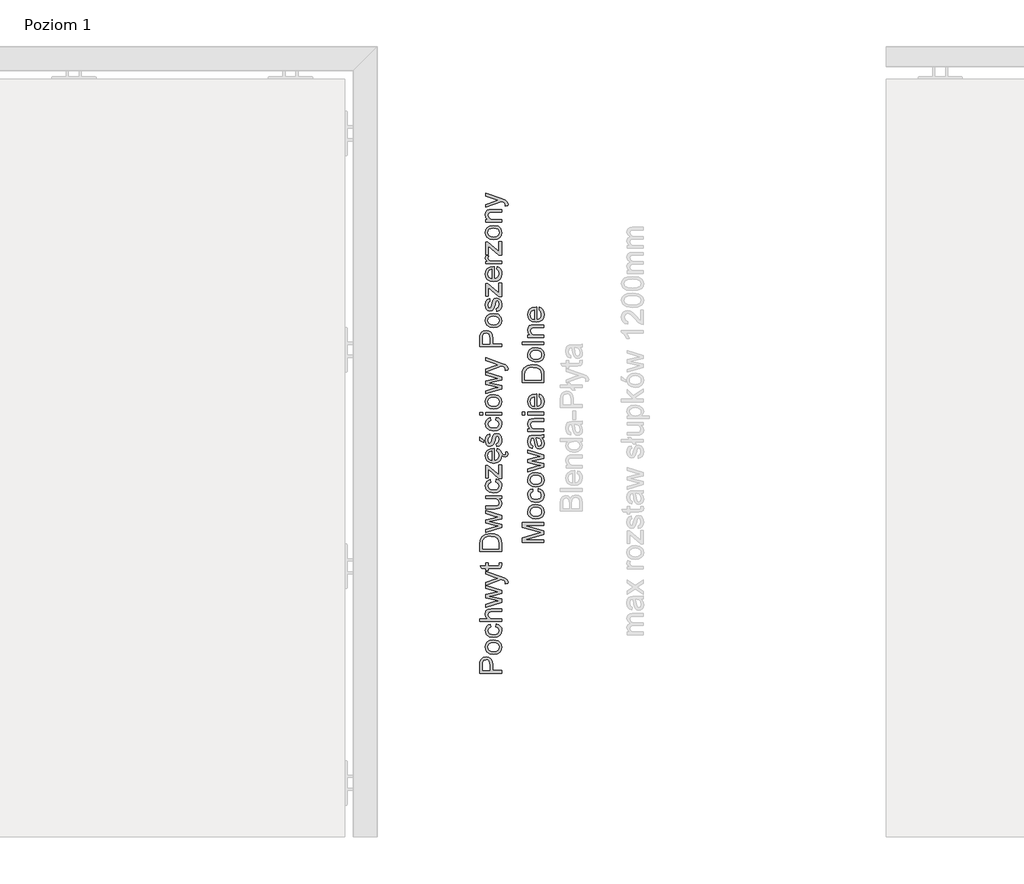
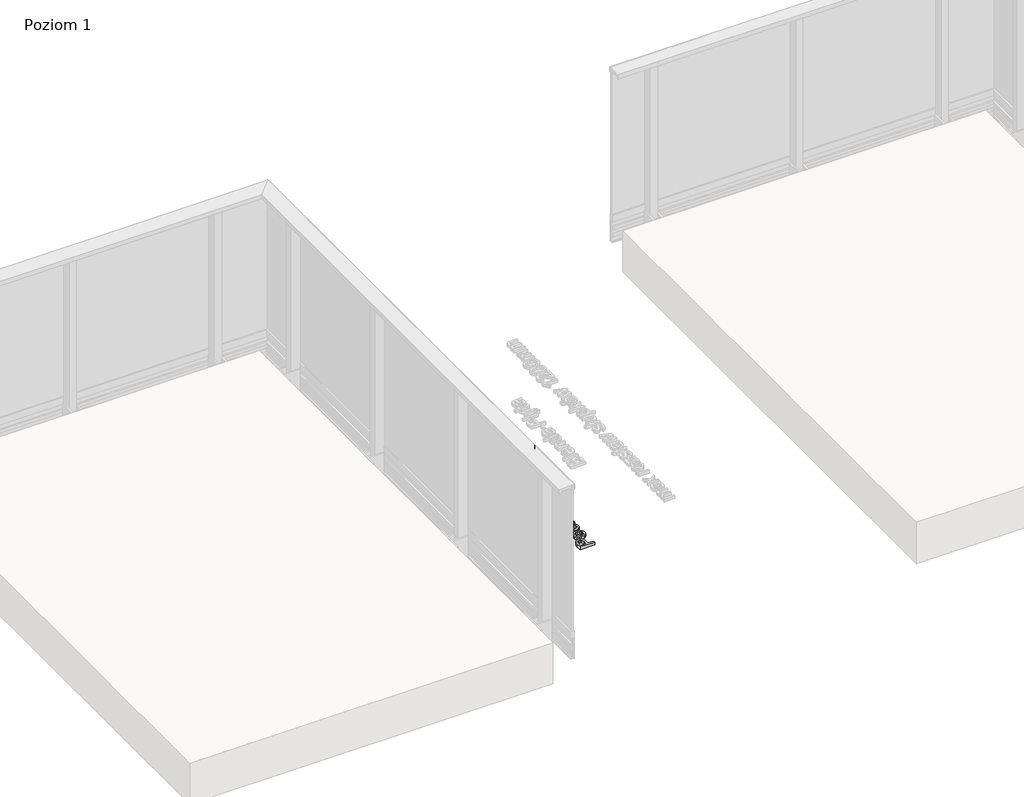
# One storey, part 19 of 35: 2 proxies.
"""IFC4 building model written with IfcOpenShell, lengths in millimetres."""

from ifc_helpers import new_model, si_unit, origin, origin_with_axes, place, context, project, spatial, polyline, outline, extrude, element, save

model = new_model("IFC4")

# Units and contexts
model_context = context("Model", 3, world=origin())
ifc_project = project(units=[si_unit("LENGTHUNIT", "METRE", prefix="MILLI")], contexts=[model_context])

# Site, building, storey
site = spatial("IfcSite", under=ifc_project)
building = spatial("IfcBuilding", under=site)
storey = spatial("IfcBuildingStorey", under=building, Name="Poziom 1", Elevation=0.0)

# Proxies
placement = place(None, origin())
element("IfcBuildingElementProxy", 1, Name="Generic Models", at=placement, inside=storey, context=model_context, shape_type="SweptSolid", body=[
    extrude(outline(polyline([(15115.5993765, -8873.2524168), (15015.1430664, -8873.2524168), (15015.1430664, -8836.0227589), (15016.0995596, -8821.0131735), (15020.7961864, -8808.811754), (15030.508271, -8800.9022911), (15044.205744, -8797.9101842), (15056.0454129, -8799.9304695), (15065.9107817, -8805.9913253), (15072.5694458, -8817.3251565), (15074.7890005, -8835.1643675), (15074.7890005, -8860.695378), (15115.5993765, -8860.695378), (15115.5993765, -8873.2524168)]), holes=[polyline([(15062.2319618, -8860.695378), (15062.2319618, -8834.4286035), (15057.6211741, -8815.9364019), (15052.0722873, -8811.8345177), (15044.6472024, -8810.4672229), (15034.2484047, -8813.6923218), (15028.5584965, -8822.1658704), (15027.7001052, -8834.7229091), (15027.7001052, -8860.695378), (15062.2319618, -8860.695378)])]), origin_with_axes(), (0.0, 0.0, 1.0), 20.0),
    extrude(outline(polyline([(15078.7130752, -8785.3531454), (15060.9259807, -8782.63695), (15048.4241242, -8774.4883638), (15042.298889, -8764.4206599), (15040.2571439, -8752.3663932), (15042.7434131, -8739.1747579), (15050.2022205, -8728.6380045), (15062.0449551, -8721.73102), (15077.6830056, -8719.4286919), (15100.0257054, -8723.4999193), (15112.6685833, -8735.3579822), (15117.1690064, -8752.3663932), (15114.6919343, -8765.7174439), (15107.260718, -8776.2419346), (15095.1696631, -8783.0753427), (15078.7130752, -8785.3531454)]), holes=[polyline([(15078.6885497, -8772.7961066), (15090.0530377, -8771.3429727), (15098.1495072, -8766.9835711), (15102.9963525, -8760.4230089), (15104.6119676, -8752.3663932), (15102.9871555, -8744.3465657), (15098.112719, -8737.7982661), (15089.9089505, -8733.4388645), (15078.2961422, -8731.9857306), (15067.2627481, -8733.4480616), (15059.2766431, -8737.8350543), (15054.4297978, -8744.3925509), (15052.8141827, -8752.3663932), (15054.4236664, -8760.4230089), (15059.2521176, -8766.9835711), (15067.3301931, -8771.3429727), (15078.6885497, -8772.7961066)])]), origin_with_axes(), (0.0, 0.0, 1.0), 20.0),
    extrude(outline(polyline([(15088.9156692, -8658.2131279), (15090.485299, -8645.6560891), (15101.6535832, -8649.1570994), (15110.0934093, -8655.7360558), (15115.4001071, -8664.7736901), (15117.1690064, -8675.6507344), (15114.7011313, -8689.0079165), (15107.2975062, -8699.4526995), (15095.2830934, -8706.1941371), (15078.9828553, -8708.4412829), (15058.1239462, -8704.6030475), (15044.7207788, -8692.9044), (15040.2571439, -8675.8224127), (15041.7899856, -8665.2120828), (15046.3885105, -8656.7293371), (15053.8074641, -8650.6439558), (15063.8015916, -8647.2257189), (15065.3712215, -8659.7827577), (15055.9657051, -8665.607556), (15052.8141827, -8675.7243108), (15054.3654184, -8683.8391745), (15059.0191257, -8690.2801751), (15067.0266904, -8694.4832269), (15078.6394988, -8695.8842442), (15090.4086569, -8694.5138837), (15098.4438128, -8690.4028024), (15103.0699289, -8684.0782978), (15104.6119676, -8676.0676674), (15100.7614694, -8664.2341298), (15088.9156692, -8658.2131279)])), origin_with_axes(), (0.0, 0.0, 1.0), 20.0),
    extrude(outline(polyline([(15115.5993765, -8634.6686802), (15015.1430664, -8634.6686802), (15015.1430664, -8622.1116414), (15052.0784187, -8622.1116414), (15043.2124626, -8612.319849), (15040.2571439, -8600.2594509), (15043.4822427, -8586.1573077), (15052.3972498, -8577.59792), (15068.9028886, -8575.022746), (15115.5993765, -8575.022746), (15115.5993765, -8587.5797848), (15070.2027383, -8587.5797848), (15056.9589865, -8591.5774358), (15052.8141827, -8602.9082013), (15055.6100859, -8613.1966344), (15063.188455, -8620.063765), (15076.4076813, -8622.1116414), (15115.5993765, -8622.1116414), (15115.5993765, -8634.6686802)])), origin_with_axes(), (0.0, 0.0, 1.0), 20.0),
    extrude(outline(polyline([(15115.5993765, -8545.51861), (15041.8267738, -8567.9594117), (15041.8267738, -8554.9118636), (15084.8689672, -8542.1831466), (15100.2464346, -8538.3816993), (15085.4330529, -8535.2669651), (15041.8267738, -8525.1379475), (15041.8267738, -8510.177413), (15085.3104256, -8500.0974463), (15098.7258557, -8497.3260686), (15084.5746616, -8493.3529431), (15041.8267738, -8480.5997006), (15041.8267738, -8467.5031016), (15115.5993765, -8490.1155815), (15115.5993765, -8505.2968452), (15072.3364539, -8514.9353535), (15058.8474474, -8517.7312566), (15115.5993765, -8530.1656681), (15115.5993765, -8545.51861)])), origin_with_axes(), (0.0, 0.0, 1.0), 20.0),
    extrude(outline(polyline([(15143.8527138, -8458.8701374), (15131.7616589, -8460.4397673), (15132.8653048, -8454.063146), (15131.479616, -8448.1034577), (15127.616855, -8444.4491632), (15118.3707542, -8441.0155979), (15115.3295964, -8440.0345793), (15041.8267738, -8466.7182866), (15041.8267738, -8453.4745348), (15082.7843026, -8439.3233407), (15099.1673141, -8434.393722), (15084.6972889, -8429.4641033), (15041.8267738, -8414.9205017), (15041.8267738, -8401.7748518), (15117.3652101, -8427.453015), (15133.7482216, -8434.1239419), (15142.601915, -8441.4080054), (15145.4223436, -8451.1936664), (15143.8527138, -8458.8701374)])), origin_with_axes(), (0.0, 0.0, 1.0), 20.0),
    extrude(outline(polyline([(15105.1270024, -8364.6923466), (15115.9672585, -8363.1227168), (15117.1690064, -8372.5159704), (15115.0843417, -8383.0373955), (15109.6151627, -8388.2858453), (15095.3658668, -8389.8064242), (15054.3838125, -8389.8064242), (15054.3838125, -8399.2242033), (15041.8267738, -8399.2242033), (15041.8267738, -8389.8064242), (15023.8986579, -8389.8064242), (15016.5164925, -8377.2493854), (15041.8267738, -8377.2493854), (15041.8267738, -8364.6923466), (15054.3838125, -8364.6923466), (15054.3838125, -8377.2493854), (15094.9979848, -8377.2493854), (15101.4727079, -8376.5871978), (15103.765839, -8374.4412195), (15104.6119676, -8370.1615256), (15105.1270024, -8364.6923466)])), origin_with_axes(), (0.0, 0.0, 1.0), 20.0),
    extrude(outline(polyline([(15115.5993765, -8311.3249319), (15015.1430664, -8311.3249319), (15015.1430664, -8276.6704479), (15016.5900689, -8258.742332), (15023.7760305, -8243.9780013), (15040.943857, -8232.0831501), (15064.8316612, -8228.13455), (15085.1019591, -8230.8078259), (15099.7313998, -8237.6749564), (15108.8426106, -8246.8474809), (15113.8825939, -8258.8526966), (15115.5993765, -8275.0027162), (15115.5993765, -8311.3249319)]), holes=[polyline([(15103.0423378, -8298.7678931), (15103.0423378, -8276.5478206), (15101.2274533, -8260.3855383), (15096.1016308, -8251.0658611), (15083.6304312, -8243.4261783), (15064.6354575, -8240.6915888), (15050.9502472, -8242.0312924), (15040.8457551, -8246.0504032), (15029.7111934, -8259.0856886), (15027.7001052, -8276.8911771), (15027.7001052, -8298.7678931), (15103.0423378, -8298.7678931)])]), origin_with_axes(), (0.0, 0.0, 1.0), 20.0),
    extrude(outline(polyline([(15115.5993765, -8200.2000439), (15041.8267738, -8222.6408456), (15041.8267738, -8209.5932975), (15084.8689672, -8196.8645804), (15100.2464346, -8193.0631332), (15085.4330529, -8189.9483989), (15041.8267738, -8179.8193813), (15041.8267738, -8164.8588469), (15085.3104256, -8154.7788802), (15098.7258557, -8152.0075025), (15084.5746616, -8148.0343769), (15041.8267738, -8135.2811344), (15041.8267738, -8122.1845354), (15115.5993765, -8144.7970154), (15115.5993765, -8159.9782791), (15072.3364539, -8169.6167873), (15058.8474474, -8172.4126905), (15115.5993765, -8184.8471019), (15115.5993765, -8200.2000439)])), origin_with_axes(), (0.0, 0.0, 1.0), 20.0),
    extrude(outline(polyline([(15115.5993765, -8066.4626759), (15102.9197104, -8066.4626759), (15113.6066824, -8076.2973879), (15117.1690064, -8089.1242068), (15114.6674088, -8100.9332188), (15108.3888894, -8109.0756737), (15099.1427886, -8112.8158073), (15087.4686666, -8113.5515713), (15041.8267738, -8113.5515713), (15041.8267738, -8100.9945325), (15081.5580292, -8100.9945325), (15094.3603227, -8100.234243), (15101.8773781, -8095.2678361), (15104.6119676, -8085.9113707), (15101.8160644, -8075.4267338), (15094.2009071, -8068.4982896), (15080.2091286, -8066.4626759), (15041.8267738, -8066.4626759), (15041.8267738, -8053.9056371), (15115.5993765, -8053.9056371), (15115.5993765, -8066.4626759)])), origin_with_axes(), (0.0, 0.0, 1.0), 20.0),
    extrude(outline(polyline([(15088.9156692, -7989.5508134), (15090.485299, -7976.9937747), (15101.6535832, -7980.494785), (15110.0934093, -7987.0737413), (15115.4001071, -7996.1113757), (15117.1690064, -8006.98842), (15114.7011313, -8020.3456021), (15107.2975062, -8030.7903851), (15095.2830934, -8037.5318226), (15078.9828553, -8039.7789685), (15058.1239462, -8035.940733), (15044.7207788, -8024.2420856), (15040.2571439, -8007.1600983), (15041.7899856, -7996.5497684), (15046.3885105, -7988.0670227), (15053.8074641, -7981.9816414), (15063.8015916, -7978.5634045), (15065.3712215, -7991.1204433), (15055.9657051, -7996.9452415), (15052.8141827, -8007.0619964), (15054.3654184, -8015.1768601), (15059.0191257, -8021.6178607), (15067.0266904, -8025.8209125), (15078.6394988, -8027.2219297), (15090.4086569, -8025.8515693), (15098.4438128, -8021.740488), (15103.0699289, -8015.4159834), (15104.6119676, -8007.4053529), (15100.7614694, -7995.5718154), (15088.9156692, -7989.5508134)])), origin_with_axes(), (0.0, 0.0, 1.0), 20.0),
    extrude(outline(polyline([(15115.5993765, -7973.854515), (15103.7781018, -7973.854515), (15054.3838125, -7930.5180159), (15054.3838125, -7943.3448348), (15054.3838125, -7970.7152553), (15041.8267738, -7970.7152553), (15041.8267738, -7912.638951), (15052.4953516, -7912.638951), (15096.32236, -7951.0703567), (15103.0423378, -7956.9564687), (15103.0423378, -7942.4373926), (15103.0423378, -7911.0693211), (15115.5993765, -7911.0693211), (15115.5993765, -7973.854515)])), origin_with_axes(), (0.0, 0.0, 1.0), 20.0),
    extrude(outline(polyline([(15093.6245587, -7846.8616502), (15095.1941885, -7834.5498661), (15104.4709462, -7838.9859098), (15111.4055218, -7846.0645726), (15115.768218, -7855.9570793), (15121.6694295, -7861.8344474), (15128.9902812, -7863.9804257), (15133.9689508, -7862.4475841), (15136.0045645, -7857.4811772), (15135.5631061, -7854.3419175), (15134.3858838, -7851.423387), (15143.0433734, -7851.423387), (15145.4223436, -7860.2280294), (15144.4167995, -7866.0037767), (15141.6454218, -7870.1240551), (15137.5864571, -7872.5888644), (15132.6691011, -7873.3982048), (15123.7540941, -7870.9456582), (15116.8755159, -7865.091109), (15117.1690064, -7867.5120929), (15114.6827372, -7882.2457668), (15107.2239298, -7893.5826636), (15095.276962, -7900.8115448), (15079.3262118, -7903.2211719), (15062.8389671, -7900.7870194), (15050.5087889, -7893.4845618), (15042.8200552, -7882.3009491), (15040.2571439, -7868.2233314), (15042.8139238, -7854.5841064), (15050.4842634, -7843.6856023), (15062.7899161, -7836.5394946), (15079.2526354, -7834.1574587), (15082.6371498, -7834.2310351), (15082.6371498, -7890.6641331), (15092.0365347, -7888.4905637), (15098.9465849, -7883.4413833), (15103.1956219, -7876.1542541), (15104.6119676, -7867.2668382), (15101.9877427, -7854.9550541), (15093.6245587, -7846.8616502)]), holes=[polyline([(15070.080111, -7890.6641331), (15070.080111, -7846.7144974), (15058.7002946, -7851.742218), (15054.2857107, -7859.0630697), (15052.8141827, -7868.2723823), (15057.5108095, -7883.7356889), (15063.0014483, -7888.6009283), (15070.080111, -7890.6641331)])]), origin_with_axes(), (0.0, 0.0, 1.0), 20.0),
    extrude(outline(polyline([(15093.6245587, -7826.3093094), (15092.0549288, -7813.7522707), (15101.3746061, -7807.9397351), (15104.6119676, -7794.6224069), (15101.6443862, -7781.8201135), (15094.6791537, -7777.6507842), (15089.0382965, -7781.8446389), (15085.4575784, -7794.7695597), (15079.3139491, -7813.6786943), (15072.1402502, -7821.9315137), (15062.0112326, -7824.7396796), (15052.6547672, -7822.4833367), (15045.5055937, -7816.3274446), (15041.7899856, -7808.3444053), (15040.2571439, -7797.5409374), (15042.7219533, -7782.2615719), (15049.3928801, -7772.5494872), (15060.6623319, -7768.2330051), (15062.2319618, -7780.7900439), (15055.3035175, -7785.5111962), (15052.8141827, -7796.5599188), (15055.1931529, -7808.5773973), (15060.7359083, -7812.1826408), (15064.3902028, -7810.6865874), (15067.1615805, -7806.0022233), (15069.8348563, -7795.1864926), (15075.7454937, -7776.7556047), (15082.440946, -7768.1962169), (15093.3547786, -7765.0937454), (15105.3722571, -7768.7357772), (15114.0910604, -7779.2449395), (15117.1690064, -7794.7940852), (15115.6852157, -7807.4553572), (15111.2338435, -7816.6953266), (15103.8639409, -7822.8634814), (15093.6245587, -7826.3093094)])), origin_with_axes(), (0.0, 0.0, 1.0), 20.0),
    extrude(outline(polyline([(15033.9786245, -7807.4737513), (15015.1430664, -7798.0559722), (15015.1430664, -7782.3596737), (15033.9786245, -7798.0559722), (15033.9786245, -7807.4737513)])), origin_with_axes(), (0.0, 0.0, 1.0), 20.0),
    extrude(outline(polyline([(15088.9156692, -7703.8781814), (15090.485299, -7691.3211427), (15101.6535832, -7694.822153), (15110.0934093, -7701.4011093), (15115.4001071, -7710.4387437), (15117.1690064, -7721.315788), (15114.7011313, -7734.6729701), (15107.2975062, -7745.1177531), (15095.2830934, -7751.8591907), (15078.9828553, -7754.1063365), (15058.1239462, -7750.268101), (15044.7207788, -7738.5694536), (15040.2571439, -7721.4874663), (15041.7899856, -7710.8771364), (15046.3885105, -7702.3943907), (15053.8074641, -7696.3090094), (15063.8015916, -7692.8907725), (15065.3712215, -7705.4478113), (15055.9657051, -7711.2726095), (15052.8141827, -7721.3893644), (15054.3654184, -7729.5042281), (15059.0191257, -7735.9452287), (15067.0266904, -7740.1482805), (15078.6394988, -7741.5492977), (15090.4086569, -7740.1789373), (15098.4438128, -7736.067856), (15103.0699289, -7729.7433514), (15104.6119676, -7721.7327209), (15100.7614694, -7709.8991834), (15088.9156692, -7703.8781814)])), origin_with_axes(), (0.0, 0.0, 1.0), 20.0),
    extrude(outline(polyline([(15027.7001052, -7680.3337337), (15015.1430664, -7680.3337337), (15015.1430664, -7667.776695), (15027.7001052, -7667.776695), (15027.7001052, -7680.3337337)])), origin_with_axes(), (0.0, 0.0, 1.0), 20.0),
    extrude(outline(polyline([(15115.5993765, -7680.3337337), (15041.8267738, -7680.3337337), (15041.8267738, -7667.776695), (15115.5993765, -7667.776695), (15115.5993765, -7680.3337337)])), origin_with_axes(), (0.0, 0.0, 1.0), 20.0),
    extrude(outline(polyline([(15078.7130752, -7652.0803965), (15060.9259807, -7649.3642011), (15048.4241242, -7641.2156149), (15042.298889, -7631.147911), (15040.2571439, -7619.0936443), (15042.7434131, -7605.9020091), (15050.2022205, -7595.3652556), (15062.0449551, -7588.4582711), (15077.6830056, -7586.155943), (15100.0257054, -7590.2271704), (15112.6685833, -7602.0852334), (15117.1690064, -7619.0936443), (15114.6919343, -7632.444695), (15107.260718, -7642.9691858), (15095.1696631, -7649.8025938), (15078.7130752, -7652.0803965)]), holes=[polyline([(15078.6885497, -7639.5233577), (15090.0530377, -7638.0702239), (15098.1495072, -7633.7108222), (15102.9963525, -7627.15026), (15104.6119676, -7619.0936443), (15102.9871555, -7611.0738168), (15098.112719, -7604.5255173), (15089.9089505, -7600.1661156), (15078.2961422, -7598.7129817), (15067.2627481, -7600.1753127), (15059.2766431, -7604.5623055), (15054.4297978, -7611.119802), (15052.8141827, -7619.0936443), (15054.4236664, -7627.15026), (15059.2521176, -7633.7108222), (15067.3301931, -7638.0702239), (15078.6885497, -7639.5233577)])]), origin_with_axes(), (0.0, 0.0, 1.0), 20.0),
    extrude(outline(polyline([(15115.5993765, -7559.7910667), (15041.8267738, -7582.2318684), (15041.8267738, -7569.1843203), (15084.8689672, -7556.4556032), (15100.2464346, -7552.654156), (15085.4330529, -7549.5394217), (15041.8267738, -7539.4104041), (15041.8267738, -7524.4498697), (15085.3104256, -7514.369903), (15098.7258557, -7511.5985253), (15084.5746616, -7507.6253997), (15041.8267738, -7494.8721572), (15041.8267738, -7481.7755582), (15115.5993765, -7504.3880382), (15115.5993765, -7519.5693019), (15072.3364539, -7529.2078101), (15058.8474474, -7532.0037133), (15115.5993765, -7544.4381247), (15115.5993765, -7559.7910667)])), origin_with_axes(), (0.0, 0.0, 1.0), 20.0),
    extrude(outline(polyline([(15143.8527138, -7473.1425941), (15131.7616589, -7474.7122239), (15132.8653048, -7468.3356027), (15131.479616, -7462.3759143), (15127.616855, -7458.7216199), (15118.3707542, -7455.2880546), (15115.3295964, -7454.3070359), (15041.8267738, -7480.9907433), (15041.8267738, -7467.7469915), (15082.7843026, -7453.5957974), (15099.1673141, -7448.6661787), (15084.6972889, -7443.7365599), (15041.8267738, -7429.1929584), (15041.8267738, -7416.0473084), (15117.3652101, -7441.7254717), (15133.7482216, -7448.3963985), (15142.601915, -7455.680462), (15145.4223436, -7465.4661231), (15143.8527138, -7473.1425941)])), origin_with_axes(), (0.0, 0.0, 1.0), 20.0),
    extrude(outline(polyline([(15115.5993765, -7364.8381347), (15015.1430664, -7364.8381347), (15015.1430664, -7327.6084768), (15016.0995596, -7312.5988914), (15020.7961864, -7300.3974719), (15030.508271, -7292.488009), (15044.205744, -7289.4959021), (15056.0454129, -7291.5161874), (15065.9107817, -7297.5770432), (15072.5694458, -7308.9108744), (15074.7890005, -7326.7500854), (15074.7890005, -7352.2810959), (15115.5993765, -7352.2810959), (15115.5993765, -7364.8381347)]), holes=[polyline([(15062.2319618, -7352.2810959), (15062.2319618, -7326.0143215), (15057.6211741, -7307.5221198), (15052.0722873, -7303.4202356), (15044.6472024, -7302.0529408), (15034.2484047, -7305.2780397), (15028.5584965, -7313.7515883), (15027.7001052, -7326.3086271), (15027.7001052, -7352.2810959), (15062.2319618, -7352.2810959)])]), origin_with_axes(), (0.0, 0.0, 1.0), 20.0),
    extrude(outline(polyline([(15078.7130752, -7276.9388633), (15060.9259807, -7274.2226679), (15048.4241242, -7266.0740817), (15042.298889, -7256.0063778), (15040.2571439, -7243.9521111), (15042.7434131, -7230.7604759), (15050.2022205, -7220.2237224), (15062.0449551, -7213.3167379), (15077.6830056, -7211.0144098), (15100.0257054, -7215.0856372), (15112.6685833, -7226.9437002), (15117.1690064, -7243.9521111), (15114.6919343, -7257.3031618), (15107.260718, -7267.8276526), (15095.1696631, -7274.6610606), (15078.7130752, -7276.9388633)]), holes=[polyline([(15078.6885497, -7264.3818245), (15090.0530377, -7262.9286907), (15098.1495072, -7258.569289), (15102.9963525, -7252.0087268), (15104.6119676, -7243.9521111), (15102.9871555, -7235.9322836), (15098.112719, -7229.3839841), (15089.9089505, -7225.0245824), (15078.2961422, -7223.5714485), (15067.2627481, -7225.0337795), (15059.2766431, -7229.4207723), (15054.4297978, -7235.9782688), (15052.8141827, -7243.9521111), (15054.4236664, -7252.0087268), (15059.2521176, -7258.569289), (15067.3301931, -7262.9286907), (15078.6885497, -7264.3818245)])]), origin_with_axes(), (0.0, 0.0, 1.0), 20.0),
    extrude(outline(polyline([(15093.6245587, -7201.5966307), (15092.0549288, -7189.0395919), (15101.3746061, -7183.2270564), (15104.6119676, -7169.9097282), (15101.6443862, -7157.1074347), (15094.6791537, -7152.9381055), (15089.0382965, -7157.1319602), (15085.4575784, -7170.056881), (15079.3139491, -7188.9660155), (15072.1402502, -7197.2188349), (15062.0112326, -7200.0270008), (15052.6547672, -7197.7706579), (15045.5055937, -7191.6147659), (15041.7899856, -7183.6317266), (15040.2571439, -7172.8282587), (15042.7219533, -7157.5488931), (15049.3928801, -7147.8368085), (15060.6623319, -7143.5203264), (15062.2319618, -7156.0773652), (15055.3035175, -7160.7985174), (15052.8141827, -7171.84724), (15055.1931529, -7183.8647185), (15060.7359083, -7187.4699621), (15064.3902028, -7185.9739086), (15067.1615805, -7181.2895446), (15069.8348563, -7170.4738139), (15075.7454937, -7152.0429259), (15082.440946, -7143.4835382), (15093.3547786, -7140.3810667), (15105.3722571, -7144.0230984), (15114.0910604, -7154.5322608), (15117.1690064, -7170.0814064), (15115.6852157, -7182.7426784), (15111.2338435, -7191.9826479), (15103.8639409, -7198.1508027), (15093.6245587, -7201.5966307)])), origin_with_axes(), (0.0, 0.0, 1.0), 20.0),
    extrude(outline(polyline([(15115.5993765, -7134.1025473), (15103.7781018, -7134.1025473), (15054.3838125, -7090.7660483), (15054.3838125, -7103.5928672), (15054.3838125, -7130.9632876), (15041.8267738, -7130.9632876), (15041.8267738, -7072.8869833), (15052.4953516, -7072.8869833), (15096.32236, -7111.3183891), (15103.0423378, -7117.204501), (15103.0423378, -7102.6854249), (15103.0423378, -7071.3173535), (15115.5993765, -7071.3173535), (15115.5993765, -7134.1025473)])), origin_with_axes(), (0.0, 0.0, 1.0), 20.0),
    extrude(outline(polyline([(15093.6245587, -7007.1096826), (15095.1941885, -6994.7978985), (15104.4709462, -6999.2339422), (15111.4055218, -7006.3126049), (15115.7281352, -7015.8744711), (15117.1690064, -7027.7601252), (15114.6827372, -7042.4937991), (15107.2239298, -7053.830696), (15095.276962, -7061.0595772), (15079.3262118, -7063.4692042), (15062.8389671, -7061.0350517), (15050.5087889, -7053.7325941), (15042.8200552, -7042.5489814), (15040.2571439, -7028.4713638), (15042.8139238, -7014.8321388), (15050.4842634, -7003.9336347), (15062.7899161, -6996.7875269), (15079.2526354, -6994.405491), (15082.6371498, -6994.4790674), (15082.6371498, -7050.9121655), (15092.0365347, -7048.738596), (15098.9465849, -7043.6894156), (15103.1956219, -7036.4022864), (15104.6119676, -7027.5148706), (15101.9877427, -7015.2030865), (15093.6245587, -7007.1096826)]), holes=[polyline([(15070.080111, -7050.9121655), (15070.080111, -7006.9625298), (15058.7002946, -7011.9902504), (15054.2857107, -7019.3111021), (15052.8141827, -7028.5204147), (15057.5108095, -7043.9837212), (15063.0014483, -7048.8489606), (15070.080111, -7050.9121655)])]), origin_with_axes(), (0.0, 0.0, 1.0), 20.0),
    extrude(outline(polyline([(15115.5993765, -6942.6077061), (15103.7781018, -6942.6077061), (15054.3838125, -6899.2712071), (15054.3838125, -6912.098026), (15054.3838125, -6939.4684464), (15041.8267738, -6939.4684464), (15041.8267738, -6881.3921421), (15052.4953516, -6881.3921421), (15096.32236, -6919.8235479), (15103.0423378, -6925.7096598), (15103.0423378, -6911.1905837), (15103.0423378, -6879.8225122), (15115.5993765, -6879.8225122), (15115.5993765, -6942.6077061)])), origin_with_axes(), (0.0, 0.0, 1.0), 20.0),
    extrude(outline(polyline([(15115.5993765, -6981.8484522), (15041.8267738, -6981.8484522), (15041.8267738, -6970.8610433), (15052.7406063, -6970.8610433), (15042.6851651, -6963.061945), (15040.2571439, -6955.2137958), (15044.1321676, -6942.6077061), (15055.3893567, -6946.8015608), (15052.8141827, -6955.6307287), (15055.2912548, -6962.7308512), (15062.1583854, -6967.2557998), (15076.8246142, -6969.2914135), (15115.5993765, -6969.2914135), (15115.5993765, -6981.8484522)])), origin_with_axes(), (0.0, 0.0, 1.0), 20.0),
    extrude(outline(polyline([(15078.7130752, -6870.4047332), (15060.9259807, -6867.6885378), (15048.4241242, -6859.5399516), (15042.298889, -6849.4722476), (15040.2571439, -6837.4179809), (15042.7434131, -6824.2263457), (15050.2022205, -6813.6895922), (15062.0449551, -6806.7826078), (15077.6830056, -6804.4802796), (15100.0257054, -6808.551507), (15112.6685833, -6820.40957), (15117.1690064, -6837.4179809), (15114.6919343, -6850.7690317), (15107.260718, -6861.2935224), (15095.1696631, -6868.1269305), (15078.7130752, -6870.4047332)]), holes=[polyline([(15078.6885497, -6857.8476944), (15090.0530377, -6856.3945605), (15098.1495072, -6852.0351589), (15102.9963525, -6845.4745966), (15104.6119676, -6837.4179809), (15102.9871555, -6829.3981534), (15098.112719, -6822.8498539), (15089.9089505, -6818.4904523), (15078.2961422, -6817.0373184), (15067.2627481, -6818.4996493), (15059.2766431, -6822.8866421), (15054.4297978, -6829.4441387), (15052.8141827, -6837.4179809), (15054.4236664, -6845.4745966), (15059.2521176, -6852.0351589), (15067.3301931, -6856.3945605), (15078.6885497, -6857.8476944)])]), origin_with_axes(), (0.0, 0.0, 1.0), 20.0),
    extrude(outline(polyline([(15115.5993765, -6790.353611), (15041.8267738, -6790.353611), (15041.8267738, -6777.7965722), (15052.1274696, -6777.7965722), (15043.2247253, -6768.1948522), (15040.2571439, -6755.0859904), (15042.6483769, -6743.2279274), (15048.9268963, -6735.1345235), (15058.1607344, -6731.3698645), (15070.3008402, -6730.7076769), (15115.5993765, -6730.7076769), (15115.5993765, -6743.2647156), (15071.9930974, -6743.2647156), (15060.8830611, -6744.7117181), (15055.0092119, -6749.8252779), (15052.8141827, -6758.4459793), (15057.7438014, -6772.0698759), (15064.8868435, -6776.3648981), (15076.4567322, -6777.7965722), (15115.5993765, -6777.7965722), (15115.5993765, -6790.353611)])), origin_with_axes(), (0.0, 0.0, 1.0), 20.0),
    extrude(outline(polyline([(15143.8527138, -6713.4417486), (15131.7616589, -6715.0113784), (15132.8653048, -6708.6347572), (15131.479616, -6702.6750688), (15127.616855, -6699.0207743), (15118.3707542, -6695.5872091), (15115.3295964, -6694.6061904), (15041.8267738, -6721.2898978), (15041.8267738, -6708.046146), (15082.7843026, -6693.8949519), (15099.1673141, -6688.9653331), (15084.6972889, -6684.0357144), (15041.8267738, -6669.4921129), (15041.8267738, -6656.3464629), (15117.3652101, -6682.0246262), (15133.7482216, -6688.695553), (15142.601915, -6695.9796165), (15145.4223436, -6705.7652776), (15143.8527138, -6713.4417486)])), origin_with_axes(), (0.0, 0.0, 1.0), 20.0),
])
element("IfcBuildingElementProxy", 2, Name="Generic Models", at=placement, inside=storey, context=model_context, shape_type="SweptSolid", body=[
    extrude(outline(polyline([(15311.0111089, -8270.0219111), (15210.5547987, -8270.0219111), (15210.5547987, -8248.4149753), (15281.3598201, -8227.8626345), (15296.1486763, -8223.7178306), (15280.1335468, -8219.2296703), (15210.5547987, -8199.020686), (15210.5547987, -8177.4137502), (15311.0111089, -8177.4137502), (15311.0111089, -8189.970789), (15223.1118375, -8189.970789), (15311.0111089, -8215.2074938), (15311.0111089, -8232.2281675), (15223.1118375, -8257.4648723), (15311.0111089, -8257.4648723), (15311.0111089, -8270.0219111)])), origin_with_axes(), (0.0, 0.0, 1.0), 20.0),
    extrude(outline(polyline([(15274.1248075, -8160.1478219), (15256.337713, -8157.4316265), (15243.8358566, -8149.2830403), (15237.7106214, -8139.2153364), (15235.6688763, -8127.1610696), (15238.1551454, -8113.9694344), (15245.6139529, -8103.432681), (15257.4566874, -8096.5256965), (15273.0947379, -8094.2233683), (15295.4374378, -8098.2945958), (15308.0803157, -8110.1526587), (15312.5807387, -8127.1610696), (15310.1036666, -8140.5121204), (15302.6724503, -8151.0366111), (15290.5813954, -8157.8700192), (15274.1248075, -8160.1478219)]), holes=[polyline([(15274.100282, -8147.5907831), (15285.46477, -8146.1376492), (15293.5612396, -8141.7782476), (15298.4080849, -8135.2176853), (15300.0237, -8127.1610696), (15298.3988878, -8119.1412421), (15293.5244514, -8112.5929426), (15285.3206829, -8108.233541), (15273.7078746, -8106.7804071), (15262.6744804, -8108.242738), (15254.6883754, -8112.6297308), (15249.8415301, -8119.1872274), (15248.225915, -8127.1610696), (15249.8353988, -8135.2176853), (15254.66385, -8141.7782476), (15262.7419254, -8146.1376492), (15274.100282, -8147.5907831)])]), origin_with_axes(), (0.0, 0.0, 1.0), 20.0),
    extrude(outline(polyline([(15284.3274015, -8033.0078043), (15285.8970314, -8020.4507656), (15297.0653156, -8023.9517759), (15305.5051417, -8030.5307322), (15310.8118395, -8039.5683666), (15312.5807387, -8050.4454109), (15310.1128637, -8063.802593), (15302.7092385, -8074.247376), (15290.6948257, -8080.9888136), (15274.3945876, -8083.2359594), (15253.5356785, -8079.3977239), (15240.1325112, -8067.6990765), (15235.6688763, -8050.6170892), (15237.2017179, -8040.0067593), (15241.8002429, -8031.5240136), (15249.2191964, -8025.4386323), (15259.213324, -8022.0203954), (15260.7829538, -8034.5774342), (15251.3774375, -8040.4022324), (15248.225915, -8050.5189873), (15249.7771508, -8058.633851), (15254.430858, -8065.0748516), (15262.4384228, -8069.2779034), (15274.0512311, -8070.6789207), (15285.8203893, -8069.3085602), (15293.8555452, -8065.1974789), (15298.4816613, -8058.8729743), (15300.0237, -8050.8623438), (15296.1732018, -8039.0288063), (15284.3274015, -8033.0078043)])), origin_with_axes(), (0.0, 0.0, 1.0), 20.0),
    extrude(outline(polyline([(15274.1248075, -8012.6026163), (15256.337713, -8009.8864209), (15243.8358566, -8001.7378348), (15237.7106214, -7991.6701308), (15235.6688763, -7979.6158641), (15238.1551454, -7966.4242289), (15245.6139529, -7955.8874754), (15257.4566874, -7948.980491), (15273.0947379, -7946.6781628), (15295.4374378, -7950.7493902), (15308.0803157, -7962.6074532), (15312.5807387, -7979.6158641), (15310.1036666, -7992.9669149), (15302.6724503, -8003.4914056), (15290.5813954, -8010.3248137), (15274.1248075, -8012.6026163)]), holes=[polyline([(15274.100282, -8000.0455776), (15285.46477, -7998.5924437), (15293.5612396, -7994.2330421), (15298.4080849, -7987.6724798), (15300.0237, -7979.6158641), (15298.3988878, -7971.5960366), (15293.5244514, -7965.0477371), (15285.3206829, -7960.6883355), (15273.7078746, -7959.2352016), (15262.6744804, -7960.6975325), (15254.6883754, -7965.0845253), (15249.8415301, -7971.6420219), (15248.225915, -7979.6158641), (15249.8353988, -7987.6724798), (15254.66385, -7994.2330421), (15262.7419254, -7998.5924437), (15274.100282, -8000.0455776)])]), origin_with_axes(), (0.0, 0.0, 1.0), 20.0),
    extrude(outline(polyline([(15311.0111089, -7920.3132865), (15237.2385061, -7942.7540882), (15237.2385061, -7929.7065401), (15280.2806996, -7916.9778231), (15295.658167, -7913.1763758), (15280.8447853, -7910.0616416), (15237.2385061, -7899.932624), (15237.2385061, -7884.9720895), (15280.722158, -7874.8921228), (15294.137588, -7872.1207451), (15279.986394, -7868.1476196), (15237.2385061, -7855.3943771), (15237.2385061, -7842.297778), (15311.0111089, -7864.910258), (15311.0111089, -7880.0915217), (15267.7481863, -7889.73003), (15254.2591798, -7892.5259331), (15311.0111089, -7904.9603446), (15311.0111089, -7920.3132865)])), origin_with_axes(), (0.0, 0.0, 1.0), 20.0),
    extrude(outline(polyline([(15301.5933298, -7786.5759185), (15310.1036666, -7798.7528126), (15312.5807387, -7812.2050308), (15311.0908167, -7822.6988648), (15306.6210504, -7830.4397151), (15299.8336276, -7835.212984), (15291.3907358, -7836.8040736), (15281.4579219, -7834.4005779), (15274.2474348, -7828.0852703), (15270.1271565, -7819.2928906), (15268.2386956, -7808.428109), (15263.9222135, -7786.6494949), (15261.1263103, -7786.5759185), (15251.8556841, -7790.0340093), (15248.225915, -7803.9154232), (15250.6416735, -7816.6196148), (15259.213324, -7822.677405), (15257.6436941, -7835.2344437), (15245.380961, -7829.8020529), (15238.1949993, -7818.863695), (15235.6688763, -7802.2967424), (15237.9006937, -7787.0786906), (15243.5047628, -7778.4825146), (15252.0273623, -7774.6320164), (15263.0147713, -7774.0188797), (15278.6374933, -7774.0188797), (15300.4528956, -7773.3812176), (15311.0111089, -7770.87962), (15311.0111089, -7783.4366588), (15301.5933298, -7786.5759185)]), holes=[polyline([(15276.4792523, -7786.5759185), (15280.3297505, -7806.8339537), (15282.3653642, -7817.6374216), (15285.6763022, -7822.5302522), (15290.507819, -7824.2470348), (15297.3013732, -7820.5069012), (15300.0237, -7809.531755), (15297.0193303, -7796.8275634), (15289.7475296, -7788.6360577), (15280.0354449, -7786.6494949), (15276.4792523, -7786.5759185)])]), origin_with_axes(), (0.0, 0.0, 1.0), 20.0),
    extrude(outline(polyline([(15311.0111089, -7756.7529514), (15237.2385061, -7756.7529514), (15237.2385061, -7744.1959127), (15247.539202, -7744.1959127), (15238.6364577, -7734.5941926), (15235.6688763, -7721.4853308), (15238.0601092, -7709.6272679), (15244.3386286, -7701.533864), (15253.5724667, -7697.7692049), (15265.7125726, -7697.1070173), (15311.0111089, -7697.1070173), (15311.0111089, -7709.6640561), (15267.4048297, -7709.6640561), (15256.2947935, -7711.1110586), (15250.4209443, -7716.2246183), (15248.225915, -7724.8453197), (15253.1555338, -7738.4692163), (15260.2985759, -7742.7642386), (15271.8684646, -7744.1959127), (15311.0111089, -7744.1959127), (15311.0111089, -7756.7529514)])), origin_with_axes(), (0.0, 0.0, 1.0), 20.0),
    extrude(outline(polyline([(15223.1118375, -7679.841089), (15210.5547987, -7679.841089), (15210.5547987, -7667.2840502), (15223.1118375, -7667.2840502), (15223.1118375, -7679.841089)])), origin_with_axes(), (0.0, 0.0, 1.0), 20.0),
    extrude(outline(polyline([(15311.0111089, -7679.841089), (15237.2385061, -7679.841089), (15237.2385061, -7667.2840502), (15311.0111089, -7667.2840502), (15311.0111089, -7679.841089)])), origin_with_axes(), (0.0, 0.0, 1.0), 20.0),
    extrude(outline(polyline([(15289.036291, -7596.7978599), (15290.6059209, -7584.4860758), (15299.8826785, -7588.9221196), (15306.8172541, -7596.0007823), (15311.1398676, -7605.5626485), (15312.5807387, -7617.4483026), (15310.0944696, -7632.1819765), (15302.6356621, -7643.5188733), (15290.6886943, -7650.7477545), (15274.7379442, -7653.1573816), (15258.2506994, -7650.7232291), (15245.9205212, -7643.4207715), (15238.2317875, -7632.2371588), (15235.6688763, -7618.1595411), (15238.2256561, -7604.5203161), (15245.8959957, -7593.621812), (15258.2016485, -7586.4757043), (15274.6643678, -7584.0936684), (15278.0488821, -7584.1672448), (15278.0488821, -7640.6003428), (15287.4482671, -7638.4267734), (15294.3583172, -7633.377593), (15298.6073543, -7626.0904638), (15300.0237, -7617.2030479), (15297.3994751, -7604.8912638), (15289.036291, -7596.7978599)]), holes=[polyline([(15265.4918434, -7640.6003428), (15265.4918434, -7596.6507071), (15254.112027, -7601.6784277), (15249.697443, -7608.9992794), (15248.225915, -7618.2085921), (15252.9225419, -7633.6718986), (15258.4131806, -7638.537138), (15265.4918434, -7640.6003428)])]), origin_with_axes(), (0.0, 0.0, 1.0), 20.0),
    extrude(outline(polyline([(15311.0111089, -7530.7262536), (15210.5547987, -7530.7262536), (15210.5547987, -7496.0717697), (15212.0018013, -7478.1436538), (15219.1877629, -7463.379323), (15236.3555893, -7451.4844718), (15260.2433936, -7447.5358718), (15280.5136915, -7450.2091476), (15295.1431322, -7457.0762782), (15304.2543429, -7466.2488026), (15309.2943262, -7478.2540184), (15311.0111089, -7494.4040379), (15311.0111089, -7530.7262536)]), holes=[polyline([(15298.4540701, -7518.1692148), (15298.4540701, -7495.9491423), (15296.6391856, -7479.78686), (15291.5133631, -7470.4671828), (15279.0421635, -7462.8275), (15260.0471898, -7460.0929105), (15246.3619796, -7461.4326141), (15236.2574875, -7465.4517249), (15225.1229257, -7478.4870103), (15223.1118375, -7496.2924988), (15223.1118375, -7518.1692148), (15298.4540701, -7518.1692148)])]), origin_with_axes(), (0.0, 0.0, 1.0), 20.0),
    extrude(outline(polyline([(15274.1248075, -7434.978833), (15256.337713, -7432.2626376), (15243.8358566, -7424.1140514), (15237.7106214, -7414.0463475), (15235.6688763, -7401.9920808), (15238.1551454, -7388.8004455), (15245.6139529, -7378.2636921), (15257.4566874, -7371.3567076), (15273.0947379, -7369.0543795), (15295.4374378, -7373.1256069), (15308.0803157, -7384.9836698), (15312.5807387, -7401.9920808), (15310.1036666, -7415.3431315), (15302.6724503, -7425.8676222), (15290.5813954, -7432.7010303), (15274.1248075, -7434.978833)]), holes=[polyline([(15274.100282, -7422.4217942), (15285.46477, -7420.9686603), (15293.5612396, -7416.6092587), (15298.4080849, -7410.0486964), (15300.0237, -7401.9920808), (15298.3988878, -7393.9722533), (15293.5244514, -7387.4239537), (15285.3206829, -7383.0645521), (15273.7078746, -7381.6114182), (15262.6744804, -7383.0737492), (15254.6883754, -7387.4607419), (15249.8415301, -7394.0182385), (15248.225915, -7401.9920808), (15249.8353988, -7410.0486964), (15254.66385, -7416.6092587), (15262.7419254, -7420.9686603), (15274.100282, -7422.4217942)])]), origin_with_axes(), (0.0, 0.0, 1.0), 20.0),
    extrude(outline(polyline([(15311.0111089, -7354.9277108), (15210.5547987, -7354.9277108), (15210.5547987, -7342.3706721), (15311.0111089, -7342.3706721), (15311.0111089, -7354.9277108)])), origin_with_axes(), (0.0, 0.0, 1.0), 20.0),
    extrude(outline(polyline([(15311.0111089, -7323.5351139), (15237.2385061, -7323.5351139), (15237.2385061, -7310.9780751), (15247.539202, -7310.9780751), (15238.6364577, -7301.3763551), (15235.6688763, -7288.2674933), (15238.0601092, -7276.4094303), (15244.3386286, -7268.3160264), (15253.5724667, -7264.5513674), (15265.7125726, -7263.8891798), (15311.0111089, -7263.8891798), (15311.0111089, -7276.4462185), (15267.4048297, -7276.4462185), (15256.2947935, -7277.893221), (15250.4209443, -7283.0067808), (15248.225915, -7291.6274822), (15253.1555338, -7305.2513788), (15260.2985759, -7309.546401), (15271.8684646, -7310.9780751), (15311.0111089, -7310.9780751), (15311.0111089, -7323.5351139)])), origin_with_axes(), (0.0, 0.0, 1.0), 20.0),
    extrude(outline(polyline([(15289.036291, -7194.9726193), (15290.6059209, -7182.6608352), (15299.8826785, -7187.096879), (15306.8172541, -7194.1755417), (15311.1398676, -7203.7374079), (15312.5807387, -7215.623062), (15310.0944696, -7230.3567359), (15302.6356621, -7241.6936327), (15290.6886943, -7248.9225139), (15274.7379442, -7251.332141), (15258.2506994, -7248.8979885), (15245.9205212, -7241.5955309), (15238.2317875, -7230.4119182), (15235.6688763, -7216.3343005), (15238.2256561, -7202.6950755), (15245.8959957, -7191.7965714), (15258.2016485, -7184.6504637), (15274.6643678, -7182.2684278), (15278.0488821, -7182.3420042), (15278.0488821, -7238.7751022), (15287.4482671, -7236.6015328), (15294.3583172, -7231.5523524), (15298.6073543, -7224.2652232), (15300.0237, -7215.3778073), (15297.3994751, -7203.0660232), (15289.036291, -7194.9726193)]), holes=[polyline([(15265.4918434, -7238.7751022), (15265.4918434, -7194.8254665), (15254.112027, -7199.8531871), (15249.697443, -7207.1740388), (15248.225915, -7216.3833515), (15252.9225419, -7231.846658), (15258.4131806, -7236.7118974), (15265.4918434, -7238.7751022)])]), origin_with_axes(), (0.0, 0.0, 1.0), 20.0),
])

save(model, "model.ifc")
